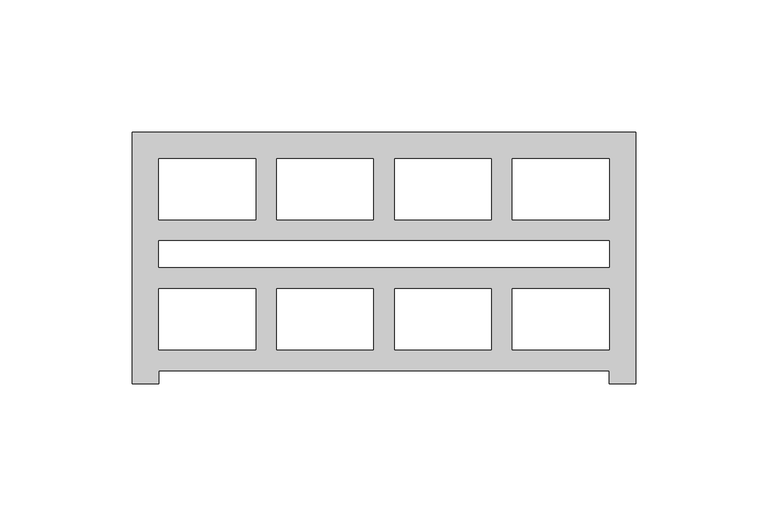
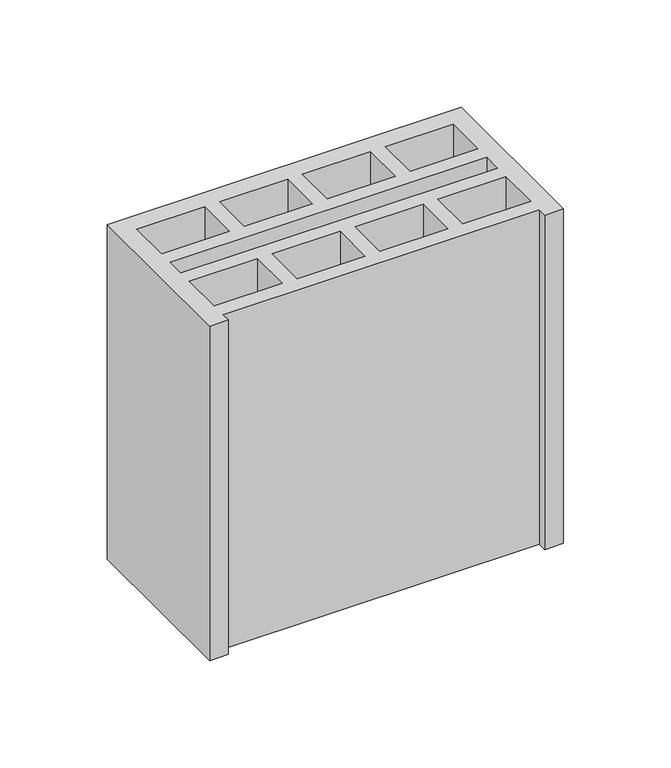
"""IFC4 building model written with IfcOpenShell, lengths in millimetres: proxy geometry."""

import ifcopenshell
import ifcopenshell.guid

model = None  # the IFC model being written
_history = None  # IfcOwnerHistory: only IFC2X3 demands one
_inside = {}  # id of a spatial element -> (the spatial element, [elements in it])
_under = {}  # id of a project, library or spatial element -> (it, [spatial elements below it])
_declared = {}  # id of a project -> (the project, [libraries it declares])
_typed = {}  # id of a type object -> (the type object, [elements of that type])
_made_of = {}  # id of a material, layer set ... -> (it, [elements and type objects made of it])


def new_model(schema):
    """Start an empty IFC model of exactly this schema.

    Asked for "IFC4X3", IfcOpenShell would pick the latest addendum, in which some entities
    have other attributes; the version numbers below select the first issue.
    IFC2X3 requires an IfcOwnerHistory on every rooted entity: one is made here for all.
    """
    global model, _history
    if schema == "IFC4X3":
        model = ifcopenshell.file(schema_version=(4, 3, 0, 0))
    else:
        model = ifcopenshell.file(schema=schema)
    _inside.clear()
    _under.clear()
    _declared.clear()
    _typed.clear()
    _made_of.clear()
    _history = None
    if model.schema == "IFC2X3":
        org = make("IfcOrganization", Name="unknown")
        user = make(
            "IfcPersonAndOrganization",
            ThePerson=make("IfcPerson", FamilyName="unknown"),
            TheOrganization=org,
        )
        app = make(
            "IfcApplication",
            ApplicationDeveloper=org,
            Version="unknown",
            ApplicationFullName="unknown",
            ApplicationIdentifier="unknown",
        )
        _history = make(
            "IfcOwnerHistory",
            OwningUser=user,
            OwningApplication=app,
            ChangeAction="ADDED",
            CreationDate=0,
        )
    return model


def make(cls, **values):
    """One entity of the class cls with the attributes given. An attribute that is None is left unset."""
    return model.create_entity(
        cls, **{name: value for name, value in values.items() if value is not None}
    )


def rooted(cls, **values):
    """An entity with a GlobalId (a new one), such as an element, a storey or a relation."""
    return make(cls, GlobalId=ifcopenshell.guid.new(), OwnerHistory=_history, **values)


def si_unit(unit_type, name, prefix=None):
    """IfcSIUnit, for example si_unit("LENGTHUNIT", "METRE", prefix="MILLI")."""
    return make("IfcSIUnit", UnitType=unit_type, Prefix=prefix, Name=name)


def assignment(units):
    """IfcUnitAssignment: the units of a project."""
    return None if units is None else make("IfcUnitAssignment", Units=units)


def point(xyz):
    """IfcCartesianPoint."""
    return None if xyz is None else make("IfcCartesianPoint", Coordinates=xyz)


def direction(xyz):
    """IfcDirection."""
    return None if xyz is None else make("IfcDirection", DirectionRatios=xyz)


def frame(location, z_axis=None, x_axis=None):
    """IfcAxis2Placement3D, a coordinate frame: its origin and axes. An axis left out is left unset."""
    return make(
        "IfcAxis2Placement3D",
        Location=point(location),
        Axis=direction(z_axis),
        RefDirection=direction(x_axis),
    )


def origin():
    """The frame at (0, 0, 0) with its axes left unset."""
    return frame((0.0, 0.0, 0.0))


def origin_with_axes():
    """The frame at (0, 0, 0) with the z axis (0, 0, 1) and the x axis (1, 0, 0) written out."""
    return frame((0.0, 0.0, 0.0), z_axis=(0.0, 0.0, 1.0), x_axis=(1.0, 0.0, 0.0))


def place(relative_to, where):
    """IfcLocalPlacement: puts the frame where relative to a parent placement (None: the world)."""
    return make(
        "IfcLocalPlacement", PlacementRelTo=relative_to, RelativePlacement=where
    )


def context(
    kind, dimensions, precision=None, world=None, true_north=None, identifier=None
):
    """IfcGeometricRepresentationContext, for example the 3D "Model" context."""
    return make(
        "IfcGeometricRepresentationContext",
        ContextIdentifier=identifier,
        ContextType=kind,
        CoordinateSpaceDimension=dimensions,
        Precision=precision,
        WorldCoordinateSystem=world,
        TrueNorth=true_north,
    )


def project(units=None, contexts=None):
    """IfcProject with its units and contexts."""
    return rooted(
        "IfcProject",
        Name="project",
        RepresentationContexts=contexts,
        UnitsInContext=assignment(units),
    )


def spatial(cls, under=None, at=None, **own):
    """A site, building, storey or space (cls), placed at a placement, below another one or the project."""
    s = rooted(cls, ObjectPlacement=at, **own)
    if under is not None:
        _under.setdefault(under.id(), (under, []))[1].append(s)
    return s


def polyline(points):
    """IfcPolyline through the points."""
    return make("IfcPolyline", Points=[point(p) for p in points])


def outline(outer, holes=None, kind="AREA"):
    """IfcArbitraryClosedProfileDef: a profile drawn as a closed curve; with holes, ...WithVoids."""
    if holes is None:
        return make("IfcArbitraryClosedProfileDef", ProfileType=kind, OuterCurve=outer)
    return make(
        "IfcArbitraryProfileDefWithVoids",
        ProfileType=kind,
        OuterCurve=outer,
        InnerCurves=holes,
    )


def extrude(swept, where, along, depth):
    """IfcExtrudedAreaSolid: the profile swept, set in the frame where, extruded along a direction by depth."""
    return make(
        "IfcExtrudedAreaSolid",
        SweptArea=swept,
        Position=where,
        ExtrudedDirection=direction(along),
        Depth=depth,
    )


def shape(context_of_items, identifier, shape_type, items):
    """IfcShapeRepresentation: the items that make up one representation, for example the "Body"."""
    return make(
        "IfcShapeRepresentation",
        ContextOfItems=context_of_items,
        RepresentationIdentifier=identifier,
        RepresentationType=shape_type,
        Items=items,
    )


def source(mapping_origin, context_of_items, identifier, shape_type, items):
    """IfcRepresentationMap: a shape defined once, which mapped items show again and again."""
    return make(
        "IfcRepresentationMap",
        MappingOrigin=mapping_origin,
        MappedRepresentation=shape(context_of_items, identifier, shape_type, items),
    )


def transform(
    local_origin,
    x_axis=None,
    y_axis=None,
    z_axis=None,
    scale=None,
    scale2=None,
    scale3=None,
    uniform=True,
):
    """IfcCartesianTransformationOperator3D, or its non-uniform kind. x_axis, y_axis, z_axis: its Axis1, 2, 3."""
    if uniform:
        return make(
            "IfcCartesianTransformationOperator3D",
            Axis1=direction(x_axis),
            Axis2=direction(y_axis),
            LocalOrigin=point(local_origin),
            Scale=scale,
            Axis3=direction(z_axis),
        )
    return make(
        "IfcCartesianTransformationOperator3DnonUniform",
        Axis1=direction(x_axis),
        Axis2=direction(y_axis),
        LocalOrigin=point(local_origin),
        Scale=scale,
        Axis3=direction(z_axis),
        Scale2=scale2,
        Scale3=scale3,
    )


def mapped(mapping_source, mapping_target):
    """IfcMappedItem: shows the shape of a source again, moved by a transform."""
    return make(
        "IfcMappedItem", MappingSource=mapping_source, MappingTarget=mapping_target
    )


def made_of(thing, what):
    """Note that an element or type object is made of a material, layer set ...; save() writes the relation."""
    if what is not None:
        _made_of.setdefault(what.id(), (what, []))[1].append(thing)
    return thing


def element(
    cls,
    number,
    at=None,
    inside=None,
    cuts=None,
    type_object=None,
    material=None,
    context=None,
    identifier="Body",
    shape_type=None,
    held_by="IfcProductDefinitionShape",
    body=None,
    shapes=None,
    **own,
):
    """One element of the class cls, such as IfcWall. Its Tag is "e" and its number.

    at: its placement. inside: the storey or other place that contains it. cuts: it is an
    opening in that element (IfcRelVoidsElement). A single representation is given by context,
    identifier, shape_type and body (its items); several are given by shapes. held_by: the class
    of the entity that holds the representations. save() writes the other relations.
    """
    e = rooted(cls, Tag="e%d" % number, ObjectPlacement=at, **own)
    if body is not None:
        shapes = [shape(context, identifier, shape_type, body)]
    if shapes is not None:
        e.Representation = make(held_by, Representations=shapes)
    if inside is not None:
        _inside.setdefault(inside.id(), (inside, []))[1].append(e)
    if cuts is not None:
        rooted(
            "IfcRelVoidsElement", RelatingBuildingElement=cuts, RelatedOpeningElement=e
        )
    if type_object is not None:
        _typed.setdefault(type_object.id(), (type_object, []))[1].append(e)
    return made_of(e, material)


def aggregate(whole, parts):
    """IfcRelAggregates: a whole, such as a stair, and the parts it consists of."""
    return rooted("IfcRelAggregates", RelatingObject=whole, RelatedObjects=parts)


def save(model, path):
    """Write the relations noted so far, then the file.

    IfcRelAggregates (storeys below a building ...), IfcRelContainedInSpatialStructure (elements
    in a storey), IfcRelDefinesByType, IfcRelAssociatesMaterial and IfcRelDeclares: one each for
    every whole, place, type object, material and project.
    """
    for whole, parts in _under.values():
        aggregate(whole, parts)
    for where, things in _inside.values():
        rooted(
            "IfcRelContainedInSpatialStructure",
            RelatedElements=things,
            RelatingStructure=where,
        )
    for kind, things in _typed.values():
        rooted("IfcRelDefinesByType", RelatedObjects=things, RelatingType=kind)
    for what, things in _made_of.values():
        rooted("IfcRelAssociatesMaterial", RelatedObjects=things, RelatingMaterial=what)
    for by, libraries in _declared.values():
        rooted("IfcRelDeclares", RelatingContext=by, RelatedDefinitions=libraries)
    model.write(path)


def generic_models_b5eb6632(model_context):
    return source(origin(), model_context, "Body", "SweptSolid", [
        extrude(outline(polyline([(0.0, 95.0), (190.0, 95.0), (190.0, 0.0), (180.0, 0.0), (180.0, 5.0), (10.0, 5.0), (10.0, 0.0), (0.0, 0.0), (0.0, 95.0)]), holes=[polyline([(143.5, 85.0), (143.5, 62.0), (180.0, 62.0), (180.0, 85.0), (143.5, 85.0)]), polyline([(10.0, 44.0), (180.0, 44.0), (180.0, 54.0), (10.0, 54.0), (10.0, 44.0)]), polyline([(99.0, 85.0), (99.0, 62.0), (135.5, 62.0), (135.5, 85.0), (99.0, 85.0)]), polyline([(54.5, 85.0), (54.5, 62.0), (91.0, 62.0), (91.0, 85.0), (54.5, 85.0)]), polyline([(10.0, 85.0), (10.0, 62.0), (46.5, 62.0), (46.5, 85.0), (10.0, 85.0)]), polyline([(143.5, 13.0), (180.0, 13.0), (180.0, 36.0), (143.5, 36.0), (143.5, 13.0)]), polyline([(99.0, 13.0), (135.5, 13.0), (135.5, 36.0), (99.0, 36.0), (99.0, 13.0)]), polyline([(54.5, 13.0), (91.0, 13.0), (91.0, 36.0), (54.5, 36.0), (54.5, 13.0)]), polyline([(10.0, 13.0), (46.5, 13.0), (46.5, 36.0), (10.0, 36.0), (10.0, 13.0)])]), origin_with_axes(), (0.0, 0.0, 1.0), 190.0),
    ])


if __name__ == "__main__":
    model = new_model("IFC4")
    model_context = context("Model", 3, world=origin())
    ifc_project = project(units=[si_unit("LENGTHUNIT", "METRE", prefix="MILLI")], contexts=[model_context])
    site = spatial("IfcSite", under=ifc_project)
    building = spatial("IfcBuilding", under=site)
    placement = place(None, origin())
    generic_models_shape = generic_models_b5eb6632(model_context)
    element("IfcBuildingElementProxy", 1, Name="Generic Models", at=placement, inside=building, context=model_context, shape_type="MappedRepresentation", body=[
        mapped(generic_models_shape, transform((0.0, 0.0, 0.0), x_axis=(1.0, 0.0, 0.0), y_axis=(0.0, 1.0, 0.0), z_axis=(0.0, 0.0, 1.0))),
    ])
    save(model, "model.ifc")
